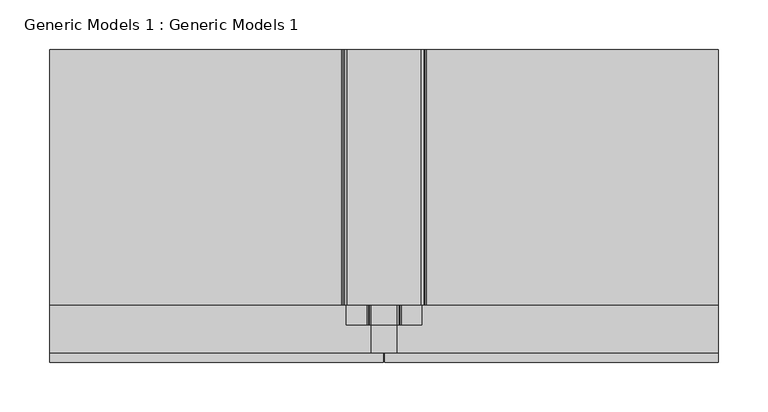
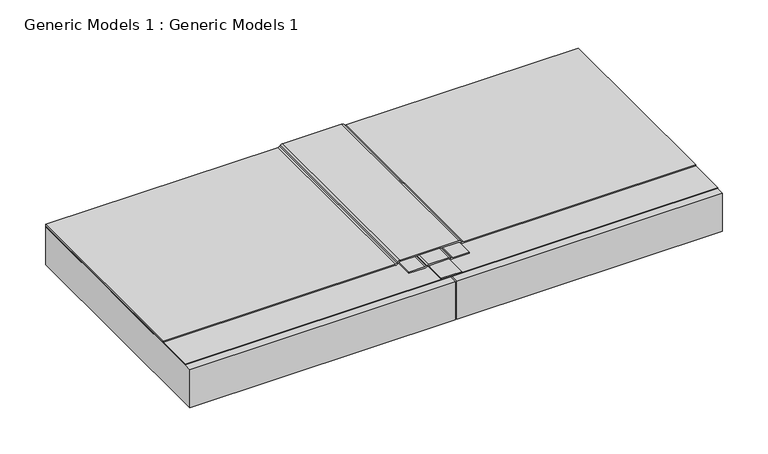
"""IFC4 building model written with IfcOpenShell, lengths in millimetres: proxy geometry, Generic Models 1 : Generic Models 1."""

from ifc_helpers import new_model, si_unit, point, frame, frame_2d, origin, place, context, project, spatial, polyline, circle_curve, trimmed, segment, composite_curve, outline, extrude, source, transform, mapped, element, save


def generic_models_1_generic_models_1_51638238(model_context):
    return source(origin(), model_context, "Body", "SweptSolid", [
        extrude(outline(composite_curve([segment(polyline([(192.88125, 63.4926207), (192.88125, 38.1073793)]), True, "CONTINUOUS"), segment(trimmed(circle_curve(frame_2d((188.11875, 38.1073793)), 4.7625), [point((192.88125, 38.1073793))], [point((192.243196, 35.7261293))], False, "CARTESIAN"), True, "CONTINUOUS"), segment(polyline([(192.243196, 35.7261293), (191.7191193, 34.8184019)]), True, "CONTINUOUS"), segment(trimmed(circle_curve(frame_2d((194.46875, 33.2309019)), 3.175), [point((191.7191193, 34.8184019))], [point((191.29375, 33.2309019))], True, "CARTESIAN"), True, "CONTINUOUS"), segment(polyline([(191.29375, 33.2309019), (191.29375, 12.7), (189.70625, 12.7), (189.70625, 33.2309019)]), True, "CONTINUOUS"), segment(trimmed(circle_curve(frame_2d((194.46875, 33.2309019)), 4.7625), [point((189.70625, 33.2309019))], [point((190.344304, 35.6121519))], False, "CARTESIAN"), True, "CONTINUOUS"), segment(polyline([(190.344304, 35.6121519), (190.8683807, 36.5198793)]), True, "CONTINUOUS"), segment(trimmed(circle_curve(frame_2d((188.11875, 38.1073793)), 3.175), [point((190.8683807, 36.5198793))], [point((191.29375, 38.1073793))], True, "CARTESIAN"), True, "CONTINUOUS"), segment(polyline([(191.29375, 38.1073793), (191.29375, 63.4926207)]), True, "CONTINUOUS"), segment(trimmed(circle_curve(frame_2d((188.11875, 63.4926207)), 3.175), [point((191.29375, 63.4926207))], [point((190.8683807, 65.0801207))], True, "CARTESIAN"), True, "CONTINUOUS"), segment(polyline([(190.8683807, 65.0801207), (190.344304, 65.9878481)]), True, "CONTINUOUS"), segment(trimmed(circle_curve(frame_2d((194.46875, 68.3690981)), 4.7625), [point((190.344304, 65.9878481))], [point((189.70625, 68.3690981))], False, "CARTESIAN"), True, "CONTINUOUS"), segment(polyline([(189.70625, 68.3690981), (189.70625, 88.9), (191.29375, 88.9), (191.29375, 68.3690981)]), True, "CONTINUOUS"), segment(trimmed(circle_curve(frame_2d((194.46875, 68.3690981)), 3.175), [point((191.29375, 68.3690981))], [point((191.7191193, 66.7815981))], True, "CARTESIAN"), True, "CONTINUOUS"), segment(polyline([(191.7191193, 66.7815981), (192.243196, 65.8738707)]), True, "CONTINUOUS"), segment(trimmed(circle_curve(frame_2d((188.11875, 63.4926207)), 4.7625), [point((192.243196, 65.8738707))], [point((192.88125, 63.4926207))], False, "CARTESIAN"), True, "CONTINUOUS")], self_intersect=False)), frame((0.0, 39.8845984, 0.0), z_axis=(0.0, 1.0, 0.0), x_axis=(0.0, 0.0, 1.0)), (0.0, 0.0, 1.0), 277.6154016),
        extrude(outline(polyline([(38.1, 317.5), (63.5, 317.5), (63.5, 12.1207667), (38.1, 12.1207667), (38.1, 317.5)])), frame((0.0, 0.0, 189.70625), z_axis=(0.0, 0.0, 1.0), x_axis=(1.0, 0.0, 0.0)), (0.0, 0.0, 1.0), 1.5875),
        extrude(outline(composite_curve([segment(trimmed(circle_curve(frame_2d((194.46875, 7.5523079)), 4.7625), [point((189.70625, 7.5523079))], [point((191.101154, 10.919904))], False, "CARTESIAN"), True, "CONTINUOUS"), segment(polyline([(191.101154, 10.919904), (191.951314, 11.770064)]), True, "CONTINUOUS"), segment(trimmed(circle_curve(frame_2d((189.70625, 14.0151281)), 3.175), [point((191.951314, 11.770064))], [point((192.88125, 14.0151281))], True, "CARTESIAN"), True, "CONTINUOUS"), segment(polyline([(192.88125, 14.0151281), (192.88125, 87.5848719)]), True, "CONTINUOUS"), segment(trimmed(circle_curve(frame_2d((189.70625, 87.5848719)), 3.175), [point((192.88125, 87.5848719))], [point((191.951314, 89.829936))], True, "CARTESIAN"), True, "CONTINUOUS"), segment(polyline([(191.951314, 89.829936), (191.101154, 90.680096)]), True, "CONTINUOUS"), segment(trimmed(circle_curve(frame_2d((194.46875, 94.0476921)), 4.7625), [point((191.101154, 90.680096))], [point((189.70625, 94.0476921))], False, "CARTESIAN"), True, "CONTINUOUS"), segment(polyline([(189.70625, 94.0476921), (189.70625, 387.35), (191.29375, 387.35), (191.29375, 94.0476921)]), True, "CONTINUOUS"), segment(trimmed(circle_curve(frame_2d((194.46875, 94.0476921)), 3.175), [point((191.29375, 94.0476921))], [point((192.223686, 91.8026281))], True, "CARTESIAN"), True, "CONTINUOUS"), segment(polyline([(192.223686, 91.8026281), (193.073846, 90.952468)]), True, "CONTINUOUS"), segment(trimmed(circle_curve(frame_2d((189.70625, 87.5848719)), 4.7625), [point((193.073846, 90.952468))], [point((194.46875, 87.5848719))], False, "CARTESIAN"), True, "CONTINUOUS"), segment(polyline([(194.46875, 87.5848719), (194.46875, 14.0151281)]), True, "CONTINUOUS"), segment(trimmed(circle_curve(frame_2d((189.70625, 14.0151281)), 4.7625), [point((194.46875, 14.0151281))], [point((193.073846, 10.647532))], False, "CARTESIAN"), True, "CONTINUOUS"), segment(polyline([(193.073846, 10.647532), (192.223686, 9.7973719)]), True, "CONTINUOUS"), segment(trimmed(circle_curve(frame_2d((194.46875, 7.5523079)), 3.175), [point((192.223686, 9.7973719))], [point((191.29375, 7.5523079))], True, "CARTESIAN"), True, "CONTINUOUS"), segment(polyline([(191.29375, 7.5523079), (191.29375, -285.75), (189.70625, -285.75), (189.70625, 7.5523079)]), True, "CONTINUOUS")], self_intersect=False)), frame((0.0, 60.368829, 0.0), z_axis=(0.0, 1.0, 0.0), x_axis=(0.0, 0.0, 1.0)), (0.0, 0.0, 1.0), 257.131171),
        extrude(outline(polyline([(50.00625, 2.38125), (-285.75, 2.38125), (-285.75, 317.5), (50.00625, 317.5), (50.00625, 2.38125)])), frame((0.0, 0.0, 137.31875), z_axis=(0.0, 0.0, 1.0), x_axis=(1.0, 0.0, 0.0)), (0.0, 0.0, 1.0), 50.8),
        extrude(outline(polyline([(387.35, 12.1207667), (-285.75, 12.1207667), (-285.75, 317.5), (387.35, 317.5), (387.35, 12.1207667)])), frame((0.0, 0.0, 188.9125), z_axis=(0.0, 0.0, 1.0), x_axis=(1.0, 0.0, 0.0)), (0.0, 0.0, 1.0), 0.79375),
        extrude(outline(polyline([(387.35, 2.38125), (51.59375, 2.38125), (51.59375, 317.5), (387.35, 317.5), (387.35, 2.38125)])), frame((0.0, 0.0, 137.31875), z_axis=(0.0, 0.0, 1.0), x_axis=(1.0, 0.0, 0.0)), (0.0, 0.0, 1.0), 50.8),
    ])


if __name__ == "__main__":
    model = new_model("IFC4")
    model_context = context("Model", 3, world=origin())
    ifc_project = project(units=[si_unit("LENGTHUNIT", "METRE", prefix="MILLI")], contexts=[model_context])
    site = spatial("IfcSite", under=ifc_project)
    building = spatial("IfcBuilding", under=site)
    placement = place(None, origin())
    generic_models_1_generic_models_1_shape = generic_models_1_generic_models_1_51638238(model_context)
    element("IfcBuildingElementProxy", 1, Name="Generic Models 1 : Generic Models 1", ObjectType="Generic Models 1 : Generic Models 1", at=placement, inside=building, context=model_context, shape_type="MappedRepresentation", body=[
        mapped(generic_models_1_generic_models_1_shape, transform((0.0, 0.0, 0.0), x_axis=(1.0, 0.0, 0.0), y_axis=(0.0, 1.0, 0.0), z_axis=(0.0, 0.0, 1.0))),
    ])
    save(model, "model.ifc")
